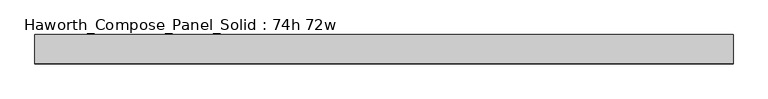
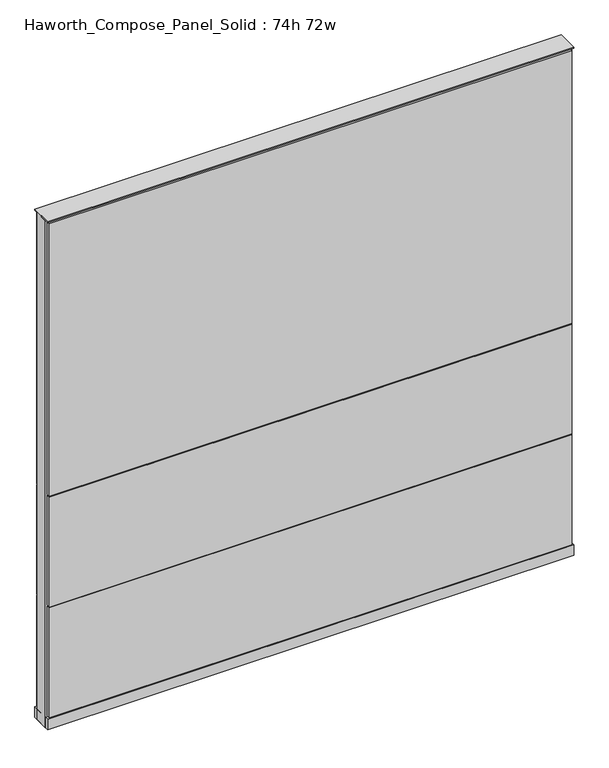
"""IFC4 building model written with IfcOpenShell, lengths in millimetres: furniture geometry, Haworth_Compose_Panel_Solid : 74h 72w."""

from ifc_helpers import new_model, si_unit, point, frame, frame_2d, origin, origin_with_axes, place, context, project, spatial, polyline, circle_curve, trimmed, segment, composite_curve, outline, extrude, source, transform, mapped, element, save


def haworth_compose_panel_solid_74h_72w_cc994c5c(model_context):
    return source(origin(), model_context, "Body", "SweptSolid", [
        extrude(outline(composite_curve([segment(trimmed(circle_curve(frame_2d((-835.7597098, 0.0)), 12.7), [point((-848.4597098, 0.0))], [point((-823.0597098, 0.0))], False, "CARTESIAN"), True, "CONTINUOUS"), segment(trimmed(circle_curve(frame_2d((-835.7597098, 0.0)), 12.7), [point((-823.0597098, 0.0))], [point((-848.4597098, 0.0))], False, "CARTESIAN"), True, "CONTINUOUS")], self_intersect=False)), origin_with_axes(), (0.0, 0.0, 1.0), 12.7),
        extrude(outline(composite_curve([segment(trimmed(circle_curve(frame_2d((840.6402902, 0.0)), 12.7), [point((827.9402902, 0.0))], [point((853.3402902, 0.0))], False, "CARTESIAN"), True, "CONTINUOUS"), segment(trimmed(circle_curve(frame_2d((840.6402902, 0.0)), 12.7), [point((853.3402902, 0.0))], [point((827.9402902, 0.0))], False, "CARTESIAN"), True, "CONTINUOUS")], self_intersect=False)), origin_with_axes(), (0.0, 0.0, 1.0), 12.7),
        extrude(outline(polyline([(910.4902902, 38.1), (910.4902902, 25.4), (-905.6097098, 25.4), (-905.6097098, 38.1), (910.4902902, 38.1)])), frame((0.0, 0.0, 866.775), z_axis=(0.0, 0.0, 1.0), x_axis=(1.0, 0.0, 0.0)), (0.0, 0.0, 1.0), 1000.125),
        extrude(outline(polyline([(910.4902902, 38.1), (910.4902902, 25.4), (-905.6097098, 25.4), (-905.6097098, 38.1), (910.4902902, 38.1)])), frame((0.0, 0.0, 460.375), z_axis=(0.0, 0.0, 1.0), x_axis=(1.0, 0.0, 0.0)), (0.0, 0.0, 1.0), 403.225),
        extrude(outline(polyline([(910.4902902, 38.1), (910.4902902, 25.4), (-905.6097098, 25.4), (-905.6097098, 38.1), (910.4902902, 38.1)])), frame((0.0, 0.0, 53.975), z_axis=(0.0, 0.0, 1.0), x_axis=(1.0, 0.0, 0.0)), (0.0, 0.0, 1.0), 403.225),
        extrude(outline(polyline([(910.4902902, -38.1), (-905.6097098, -38.1), (-905.6097098, -25.4), (910.4902902, -25.4), (910.4902902, -38.1)])), frame((0.0, 0.0, 866.775), z_axis=(0.0, 0.0, 1.0), x_axis=(1.0, 0.0, 0.0)), (0.0, 0.0, 1.0), 1000.125),
        extrude(outline(polyline([(910.4902902, -38.1), (-905.6097098, -38.1), (-905.6097098, -25.4), (910.4902902, -25.4), (910.4902902, -38.1)])), frame((0.0, 0.0, 460.375), z_axis=(0.0, 0.0, 1.0), x_axis=(1.0, 0.0, 0.0)), (0.0, 0.0, 1.0), 403.225),
        extrude(outline(polyline([(910.4902902, -38.1), (-905.6097098, -38.1), (-905.6097098, -25.4), (910.4902902, -25.4), (910.4902902, -38.1)])), frame((0.0, 0.0, 53.975), z_axis=(0.0, 0.0, 1.0), x_axis=(1.0, 0.0, 0.0)), (0.0, 0.0, 1.0), 403.225),
        extrude(outline(polyline([(916.8402902, 25.4), (916.8402902, -25.4), (-911.9597098, -25.4), (-911.9597098, 25.4), (916.8402902, 25.4)])), frame((0.0, 0.0, 12.7), z_axis=(0.0, 0.0, 1.0), x_axis=(1.0, 0.0, 0.0)), (0.0, 0.0, 1.0), 1860.55),
        extrude(outline(polyline([(-911.9597098, -38.1), (-911.9597098, 38.1), (916.8402902, 38.1), (916.8402902, -38.1), (-911.9597098, -38.1)])), frame((0.0, 0.0, 12.7), z_axis=(0.0, 0.0, 1.0), x_axis=(1.0, 0.0, 0.0)), (0.0, 0.0, 1.0), 38.1),
        extrude(outline(polyline([(-911.9597098, -38.1), (-911.9597098, 38.1), (916.8402902, 38.1), (916.8402902, -38.1), (-911.9597098, -38.1)])), frame((0.0, 0.0, 1873.25), z_axis=(0.0, 0.0, 1.0), x_axis=(1.0, 0.0, 0.0)), (0.0, 0.0, 1.0), 3.175),
    ])


if __name__ == "__main__":
    model = new_model("IFC4")
    model_context = context("Model", 3, world=origin())
    ifc_project = project(units=[si_unit("LENGTHUNIT", "METRE", prefix="MILLI")], contexts=[model_context])
    site = spatial("IfcSite", under=ifc_project)
    building = spatial("IfcBuilding", under=site)
    placement = place(None, origin())
    haworth_compose_panel_solid_74h_72w_shape = haworth_compose_panel_solid_74h_72w_cc994c5c(model_context)
    element("IfcFurniture", 1, ObjectType="Haworth_Compose_Panel_Solid : 74h 72w", at=placement, inside=building, context=model_context, shape_type="MappedRepresentation", body=[
        mapped(haworth_compose_panel_solid_74h_72w_shape, transform((0.0, 0.0, 0.0), x_axis=(1.0, 0.0, 0.0), y_axis=(0.0, 1.0, 0.0), z_axis=(0.0, 0.0, 1.0))),
    ])
    save(model, "model.ifc")
